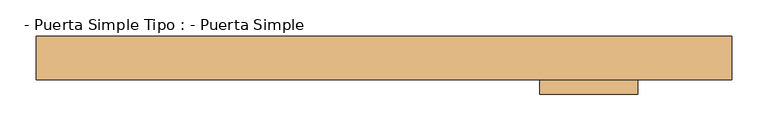
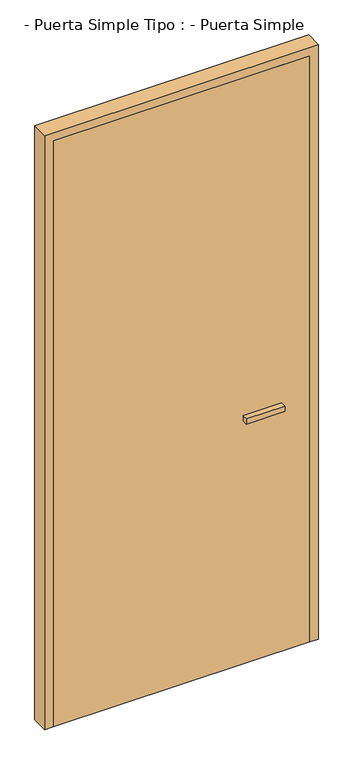
"""IFC4 building model written with IfcOpenShell, lengths in millimetres: door geometry, - Puerta Simple Tipo : - Puerta Simple."""

from ifc_helpers import new_model, si_unit, frame, origin, origin_with_axes, place, context, project, spatial, polyline, outline, extrude, faceted_brep, source, transform, mapped, element, save


def puerta_simple_tipo_puerta_simple_24d666fe(model_context):
    return source(origin(), model_context, "Body", "SolidModel", [
        faceted_brep([(-480.0, 30.0, 2200.0), (480.0, 30.0, 2200.0), (480.0, 30.0, 0.0), (430.0, 30.0, 0.0), (430.0, 30.0, 2150.0), (-430.0, 30.0, 2150.0), (-430.0, 30.0, 0.0), (-480.0, 30.0, 0.0), (-480.0, -30.0, 0.0), (-480.0, -30.0, 2200.0), (-430.0, 10.0, 0.0), (-450.0, 10.0, 0.0), (-450.0, -30.0, 0.0), (-430.0, 10.0, 2150.0), (430.0, 10.0, 0.0), (430.0, 10.0, 2150.0), (480.0, -30.0, 0.0), (450.0, -30.0, 0.0), (450.0, 10.0, 0.0), (480.0, -30.0, 2200.0), (-450.0, -30.0, 2170.0), (450.0, -30.0, 2170.0), (450.0, 10.0, 2170.0), (-450.0, 10.0, 2170.0)], [[[0, 1, 2, 3, 4, 5, 6, 7]], [[7, 8, 9, 0]], [[6, 10, 11, 12, 8, 7]], [[5, 13, 10, 6]], [[3, 14, 15, 4]], [[2, 16, 17, 18, 14, 3]], [[1, 19, 16, 2]], [[9, 8, 12, 20, 21, 17, 16, 19]], [[18, 17, 21, 22]], [[23, 20, 12, 11]], [[11, 10, 13, 15, 14, 18, 22, 23]], [[0, 9, 19, 1]], [[4, 15, 13, 5]], [[22, 21, 20, 23]]]),
        extrude(outline(polyline([(450.0, -30.0), (-450.0, -30.0), (-450.0, 10.0), (450.0, 10.0), (450.0, -30.0)])), origin_with_axes(), (0.0, 0.0, 1.0), 2170.0),
        extrude(outline(polyline([(350.0, -30.0), (350.0, -50.0), (215.0, -50.0), (215.0, -30.0), (350.0, -30.0)])), frame((0.0, 0.0, 900.0), z_axis=(0.0, 0.0, 1.0), x_axis=(1.0, 0.0, 0.0)), (0.0, 0.0, 1.0), 20.0),
    ])


if __name__ == "__main__":
    model = new_model("IFC4")
    model_context = context("Model", 3, world=origin())
    ifc_project = project(units=[si_unit("LENGTHUNIT", "METRE", prefix="MILLI")], contexts=[model_context])
    site = spatial("IfcSite", under=ifc_project)
    building = spatial("IfcBuilding", under=site)
    placement = place(None, origin())
    puerta_simple_tipo_puerta_simple_shape = puerta_simple_tipo_puerta_simple_24d666fe(model_context)
    element("IfcDoor", 1, ObjectType="- Puerta Simple Tipo : - Puerta Simple", at=placement, inside=building, context=model_context, shape_type="MappedRepresentation", body=[
        mapped(puerta_simple_tipo_puerta_simple_shape, transform((0.0, 0.0, 0.0), x_axis=(1.0, 0.0, 0.0), y_axis=(0.0, 1.0, 0.0), z_axis=(0.0, 0.0, 1.0))),
    ])
    save(model, "model.ifc")
